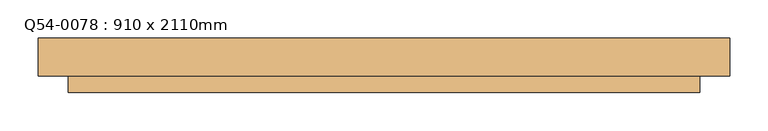
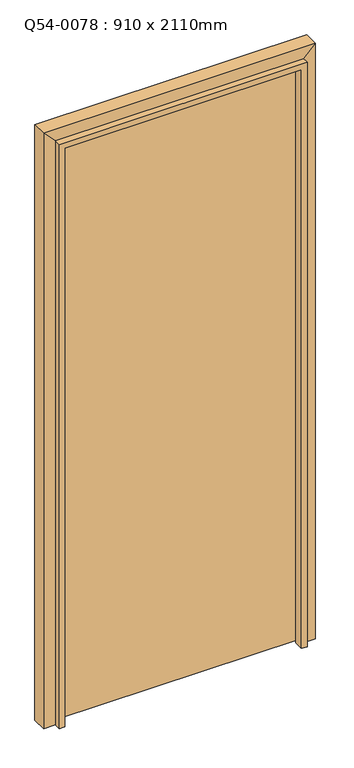
"""IFC4 building model written with IfcOpenShell, lengths in millimetres: door geometry, Q54-0078 : 910 x 2110mm."""

from ifc_helpers import new_model, si_unit, frame, origin, place, context, project, spatial, polyline, outline, extrude, faceted_brep, source, transform, mapped, element, save


def q54_0078_910_x_2110mm_6e8e1650(model_context):
    return source(origin(), model_context, "Body", "SolidModel", [
        faceted_brep([(-415.0, -25.0, 0.0), (-455.0, -25.0, 0.0), (-455.0, 25.0, 0.0), (-415.0, 25.0, 0.0), (-415.0, -25.0, 2070.0), (-455.0, -25.0, 2110.0), (-455.0, 25.0, 2110.0), (-415.0, 25.0, 2070.0), (415.0, -25.0, 2070.0), (455.0, -25.0, 2110.0), (455.0, 25.0, 2110.0), (415.0, 25.0, 2070.0), (415.0, -25.0, 0.0), (415.0, 25.0, 0.0), (455.0, 25.0, 0.0), (455.0, -25.0, 0.0)], [[[0, 1, 2, 3]], [[1, 0, 4, 5]], [[2, 1, 5, 6]], [[3, 2, 6, 7]], [[0, 3, 7, 4]], [[5, 4, 8, 9]], [[6, 5, 9, 10]], [[7, 6, 10, 11]], [[4, 7, 11, 8]], [[12, 13, 14, 15]], [[9, 8, 12, 15]], [[10, 9, 15, 14]], [[11, 10, 14, 13]], [[8, 11, 13, 12]]]),
        extrude(outline(polyline([(413.0, -13.0), (-413.0, -13.0), (-413.0, 25.0), (413.0, 25.0), (413.0, -13.0)])), frame((0.0, 0.0, 8.0), z_axis=(0.0, 0.0, 1.0), x_axis=(1.0, 0.0, 0.0)), (0.0, 0.0, 1.0), 2060.0),
        extrude(outline(polyline([(0.0, -415.0), (0.0, -396.0), (2051.0, -396.0), (2051.0, 396.0), (0.0, 396.0), (0.0, 415.0), (2070.0, 415.0), (2070.0, -415.0), (0.0, -415.0)])), frame((0.0, -47.0, 0.0), z_axis=(0.0, 1.0, 0.0), x_axis=(0.0, 0.0, 1.0)), (0.0, 0.0, 1.0), 32.0),
    ])


if __name__ == "__main__":
    model = new_model("IFC4")
    model_context = context("Model", 3, world=origin())
    ifc_project = project(units=[si_unit("LENGTHUNIT", "METRE", prefix="MILLI")], contexts=[model_context])
    site = spatial("IfcSite", under=ifc_project)
    building = spatial("IfcBuilding", under=site)
    placement = place(None, origin())
    q54_0078_910_x_2110mm_shape = q54_0078_910_x_2110mm_6e8e1650(model_context)
    element("IfcDoor", 1, ObjectType="Q54-0078 : 910 x 2110mm", at=placement, inside=building, context=model_context, shape_type="MappedRepresentation", body=[
        mapped(q54_0078_910_x_2110mm_shape, transform((0.0, 0.0, 0.0), x_axis=(1.0, 0.0, 0.0), y_axis=(0.0, 1.0, 0.0), z_axis=(0.0, 0.0, 1.0))),
    ])
    save(model, "model.ifc")
